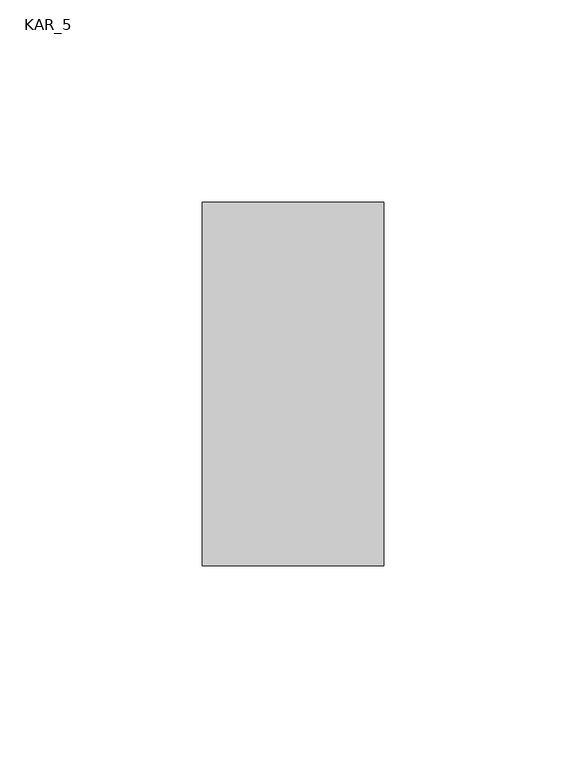
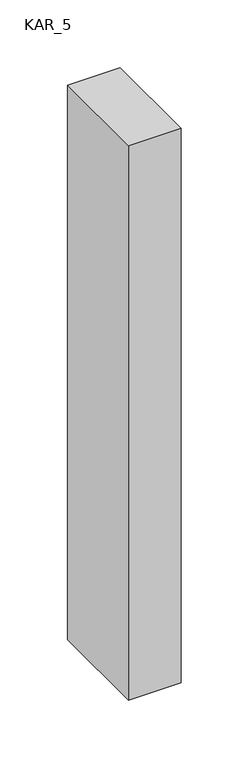
"""IFC4 building model written with IfcOpenShell, lengths in millimetres: proxy geometry, KAR_5."""

from ifc_helpers import new_model, si_unit, frame, origin, place, context, project, spatial, polyline, outline, extrude, source, transform, mapped, element, save


def kar_5_b6d529d8(model_context):
    return source(origin(), model_context, "Body", "SweptSolid", [
        extrude(outline(polyline([(45.0, 90.0), (45.0, 0.0), (0.0, 0.0), (0.0, 90.0), (45.0, 90.0)])), frame((0.0, 0.0, 1600.0), z_axis=(0.0, 0.0, 1.0), x_axis=(1.0, 0.0, 0.0)), (0.0, 0.0, 1.0), 500.0),
    ])


if __name__ == "__main__":
    model = new_model("IFC4")
    model_context = context("Model", 3, world=origin())
    ifc_project = project(units=[si_unit("LENGTHUNIT", "METRE", prefix="MILLI")], contexts=[model_context])
    site = spatial("IfcSite", under=ifc_project)
    building = spatial("IfcBuilding", under=site)
    placement = place(None, origin())
    kar_5_shape = kar_5_b6d529d8(model_context)
    element("IfcBuildingElementProxy", 1, Name="KAR_5", ObjectType="KAR_5", at=placement, inside=building, context=model_context, shape_type="MappedRepresentation", body=[
        mapped(kar_5_shape, transform((0.0, 0.0, 0.0), x_axis=(1.0, 0.0, 0.0), y_axis=(0.0, 1.0, 0.0), z_axis=(0.0, 0.0, 1.0))),
    ])
    save(model, "model.ifc")
